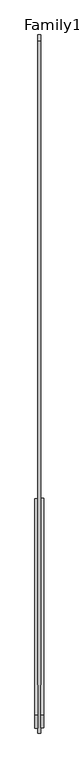
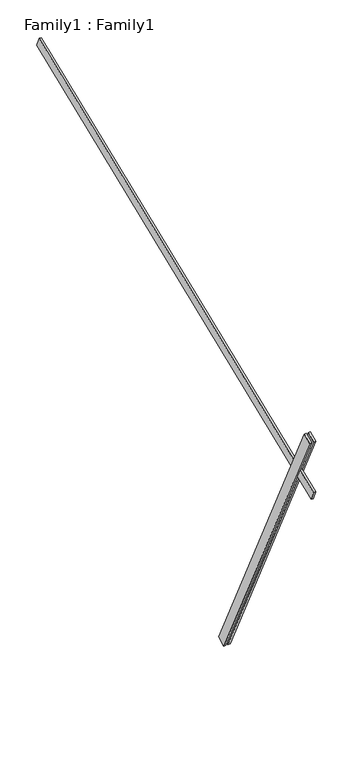
"""IFC4 building model written with IfcOpenShell, lengths in millimetres: proxy geometry, Family1 : Family1."""

import ifcopenshell
import ifcopenshell.guid

model = None  # the IFC model being written
_history = None  # IfcOwnerHistory: only IFC2X3 demands one
_inside = {}  # id of a spatial element -> (the spatial element, [elements in it])
_under = {}  # id of a project, library or spatial element -> (it, [spatial elements below it])
_declared = {}  # id of a project -> (the project, [libraries it declares])
_typed = {}  # id of a type object -> (the type object, [elements of that type])
_made_of = {}  # id of a material, layer set ... -> (it, [elements and type objects made of it])


def new_model(schema):
    """Start an empty IFC model of exactly this schema.

    Asked for "IFC4X3", IfcOpenShell would pick the latest addendum, in which some entities
    have other attributes; the version numbers below select the first issue.
    IFC2X3 requires an IfcOwnerHistory on every rooted entity: one is made here for all.
    """
    global model, _history
    if schema == "IFC4X3":
        model = ifcopenshell.file(schema_version=(4, 3, 0, 0))
    else:
        model = ifcopenshell.file(schema=schema)
    _inside.clear()
    _under.clear()
    _declared.clear()
    _typed.clear()
    _made_of.clear()
    _history = None
    if model.schema == "IFC2X3":
        org = make("IfcOrganization", Name="unknown")
        user = make(
            "IfcPersonAndOrganization",
            ThePerson=make("IfcPerson", FamilyName="unknown"),
            TheOrganization=org,
        )
        app = make(
            "IfcApplication",
            ApplicationDeveloper=org,
            Version="unknown",
            ApplicationFullName="unknown",
            ApplicationIdentifier="unknown",
        )
        _history = make(
            "IfcOwnerHistory",
            OwningUser=user,
            OwningApplication=app,
            ChangeAction="ADDED",
            CreationDate=0,
        )
    return model


def make(cls, **values):
    """One entity of the class cls with the attributes given. An attribute that is None is left unset."""
    return model.create_entity(
        cls, **{name: value for name, value in values.items() if value is not None}
    )


def rooted(cls, **values):
    """An entity with a GlobalId (a new one), such as an element, a storey or a relation."""
    return make(cls, GlobalId=ifcopenshell.guid.new(), OwnerHistory=_history, **values)


def si_unit(unit_type, name, prefix=None):
    """IfcSIUnit, for example si_unit("LENGTHUNIT", "METRE", prefix="MILLI")."""
    return make("IfcSIUnit", UnitType=unit_type, Prefix=prefix, Name=name)


def assignment(units):
    """IfcUnitAssignment: the units of a project."""
    return None if units is None else make("IfcUnitAssignment", Units=units)


def point(xyz):
    """IfcCartesianPoint."""
    return None if xyz is None else make("IfcCartesianPoint", Coordinates=xyz)


def direction(xyz):
    """IfcDirection."""
    return None if xyz is None else make("IfcDirection", DirectionRatios=xyz)


def frame(location, z_axis=None, x_axis=None):
    """IfcAxis2Placement3D, a coordinate frame: its origin and axes. An axis left out is left unset."""
    return make(
        "IfcAxis2Placement3D",
        Location=point(location),
        Axis=direction(z_axis),
        RefDirection=direction(x_axis),
    )


def origin():
    """The frame at (0, 0, 0) with its axes left unset."""
    return frame((0.0, 0.0, 0.0))


def place(relative_to, where):
    """IfcLocalPlacement: puts the frame where relative to a parent placement (None: the world)."""
    return make(
        "IfcLocalPlacement", PlacementRelTo=relative_to, RelativePlacement=where
    )


def context(
    kind, dimensions, precision=None, world=None, true_north=None, identifier=None
):
    """IfcGeometricRepresentationContext, for example the 3D "Model" context."""
    return make(
        "IfcGeometricRepresentationContext",
        ContextIdentifier=identifier,
        ContextType=kind,
        CoordinateSpaceDimension=dimensions,
        Precision=precision,
        WorldCoordinateSystem=world,
        TrueNorth=true_north,
    )


def project(units=None, contexts=None):
    """IfcProject with its units and contexts."""
    return rooted(
        "IfcProject",
        Name="project",
        RepresentationContexts=contexts,
        UnitsInContext=assignment(units),
    )


def spatial(cls, under=None, at=None, **own):
    """A site, building, storey or space (cls), placed at a placement, below another one or the project."""
    s = rooted(cls, ObjectPlacement=at, **own)
    if under is not None:
        _under.setdefault(under.id(), (under, []))[1].append(s)
    return s


def polyline(points):
    """IfcPolyline through the points."""
    return make("IfcPolyline", Points=[point(p) for p in points])


def outline(outer, holes=None, kind="AREA"):
    """IfcArbitraryClosedProfileDef: a profile drawn as a closed curve; with holes, ...WithVoids."""
    if holes is None:
        return make("IfcArbitraryClosedProfileDef", ProfileType=kind, OuterCurve=outer)
    return make(
        "IfcArbitraryProfileDefWithVoids",
        ProfileType=kind,
        OuterCurve=outer,
        InnerCurves=holes,
    )


def extrude(swept, where, along, depth):
    """IfcExtrudedAreaSolid: the profile swept, set in the frame where, extruded along a direction by depth."""
    return make(
        "IfcExtrudedAreaSolid",
        SweptArea=swept,
        Position=where,
        ExtrudedDirection=direction(along),
        Depth=depth,
    )


def shape(context_of_items, identifier, shape_type, items):
    """IfcShapeRepresentation: the items that make up one representation, for example the "Body"."""
    return make(
        "IfcShapeRepresentation",
        ContextOfItems=context_of_items,
        RepresentationIdentifier=identifier,
        RepresentationType=shape_type,
        Items=items,
    )


def source(mapping_origin, context_of_items, identifier, shape_type, items):
    """IfcRepresentationMap: a shape defined once, which mapped items show again and again."""
    return make(
        "IfcRepresentationMap",
        MappingOrigin=mapping_origin,
        MappedRepresentation=shape(context_of_items, identifier, shape_type, items),
    )


def transform(
    local_origin,
    x_axis=None,
    y_axis=None,
    z_axis=None,
    scale=None,
    scale2=None,
    scale3=None,
    uniform=True,
):
    """IfcCartesianTransformationOperator3D, or its non-uniform kind. x_axis, y_axis, z_axis: its Axis1, 2, 3."""
    if uniform:
        return make(
            "IfcCartesianTransformationOperator3D",
            Axis1=direction(x_axis),
            Axis2=direction(y_axis),
            LocalOrigin=point(local_origin),
            Scale=scale,
            Axis3=direction(z_axis),
        )
    return make(
        "IfcCartesianTransformationOperator3DnonUniform",
        Axis1=direction(x_axis),
        Axis2=direction(y_axis),
        LocalOrigin=point(local_origin),
        Scale=scale,
        Axis3=direction(z_axis),
        Scale2=scale2,
        Scale3=scale3,
    )


def mapped(mapping_source, mapping_target):
    """IfcMappedItem: shows the shape of a source again, moved by a transform."""
    return make(
        "IfcMappedItem", MappingSource=mapping_source, MappingTarget=mapping_target
    )


def made_of(thing, what):
    """Note that an element or type object is made of a material, layer set ...; save() writes the relation."""
    if what is not None:
        _made_of.setdefault(what.id(), (what, []))[1].append(thing)
    return thing


def element(
    cls,
    number,
    at=None,
    inside=None,
    cuts=None,
    type_object=None,
    material=None,
    context=None,
    identifier="Body",
    shape_type=None,
    held_by="IfcProductDefinitionShape",
    body=None,
    shapes=None,
    **own,
):
    """One element of the class cls, such as IfcWall. Its Tag is "e" and its number.

    at: its placement. inside: the storey or other place that contains it. cuts: it is an
    opening in that element (IfcRelVoidsElement). A single representation is given by context,
    identifier, shape_type and body (its items); several are given by shapes. held_by: the class
    of the entity that holds the representations. save() writes the other relations.
    """
    e = rooted(cls, Tag="e%d" % number, ObjectPlacement=at, **own)
    if body is not None:
        shapes = [shape(context, identifier, shape_type, body)]
    if shapes is not None:
        e.Representation = make(held_by, Representations=shapes)
    if inside is not None:
        _inside.setdefault(inside.id(), (inside, []))[1].append(e)
    if cuts is not None:
        rooted(
            "IfcRelVoidsElement", RelatingBuildingElement=cuts, RelatedOpeningElement=e
        )
    if type_object is not None:
        _typed.setdefault(type_object.id(), (type_object, []))[1].append(e)
    return made_of(e, material)


def aggregate(whole, parts):
    """IfcRelAggregates: a whole, such as a stair, and the parts it consists of."""
    return rooted("IfcRelAggregates", RelatingObject=whole, RelatedObjects=parts)


def save(model, path):
    """Write the relations noted so far, then the file.

    IfcRelAggregates (storeys below a building ...), IfcRelContainedInSpatialStructure (elements
    in a storey), IfcRelDefinesByType, IfcRelAssociatesMaterial and IfcRelDeclares: one each for
    every whole, place, type object, material and project.
    """
    for whole, parts in _under.values():
        aggregate(whole, parts)
    for where, things in _inside.values():
        rooted(
            "IfcRelContainedInSpatialStructure",
            RelatedElements=things,
            RelatingStructure=where,
        )
    for kind, things in _typed.values():
        rooted("IfcRelDefinesByType", RelatedObjects=things, RelatingType=kind)
    for what, things in _made_of.values():
        rooted("IfcRelAssociatesMaterial", RelatedObjects=things, RelatingMaterial=what)
    for by, libraries in _declared.values():
        rooted("IfcRelDeclares", RelatingContext=by, RelatedDefinitions=libraries)
    model.write(path)


def family1_family1_0b19986a(model_context):
    return source(origin(), model_context, "Body", "SweptSolid", [
        extrude(outline(polyline([(0.0, 0.0), (-100.0000001, 0.0), (-100.0000001, 20.0), (0.0, 20.0), (0.0, 0.0)])), frame((-30.0, -46.3241747, -22.5938096), z_axis=(0.0, -0.4383711467890692, 0.8987940462991711), x_axis=(0.0, -0.8987940462991711, -0.4383711467890692)), (0.0, 0.0, 1.0), 3300.0),
        extrude(outline(polyline([(0.0, 0.0), (-99.9999999, 0.0), (-99.9999999, 20.0), (0.0, 20.0), (0.0, 0.0)])), frame((10.0, -45.270232, -22.0797674), z_axis=(0.0, -0.4383711467890692, 0.8987940462991711), x_axis=(0.0, -0.8987940462991711, -0.4383711467890692)), (0.0, 0.0, 1.0), 3300.0),
        extrude(outline(polyline([(0.0, 20.0), (5000.0, 20.0), (5000.0, 0.0), (0.0, 0.0), (0.0, 20.0)])), frame((-10.0, 3147.4442108, 4230.2642299), z_axis=(0.0, -0.3746065934159143, 0.9271838545667865), x_axis=(0.0, -0.9271838545667865, -0.3746065934159143)), (0.0, 0.0, 1.0), 100.0),
    ])


if __name__ == "__main__":
    model = new_model("IFC4")
    model_context = context("Model", 3, world=origin())
    ifc_project = project(units=[si_unit("LENGTHUNIT", "METRE", prefix="MILLI")], contexts=[model_context])
    site = spatial("IfcSite", under=ifc_project)
    building = spatial("IfcBuilding", under=site)
    placement = place(None, origin())
    family1_family1_shape = family1_family1_0b19986a(model_context)
    element("IfcBuildingElementProxy", 1, Name="Family1 : Family1", ObjectType="Family1 : Family1", at=placement, inside=building, context=model_context, shape_type="MappedRepresentation", body=[
        mapped(family1_family1_shape, transform((0.0, 0.0, 0.0), x_axis=(1.0, 0.0, 0.0), y_axis=(0.0, 1.0, 0.0), z_axis=(0.0, 0.0, 1.0))),
    ])
    save(model, "model.ifc")
